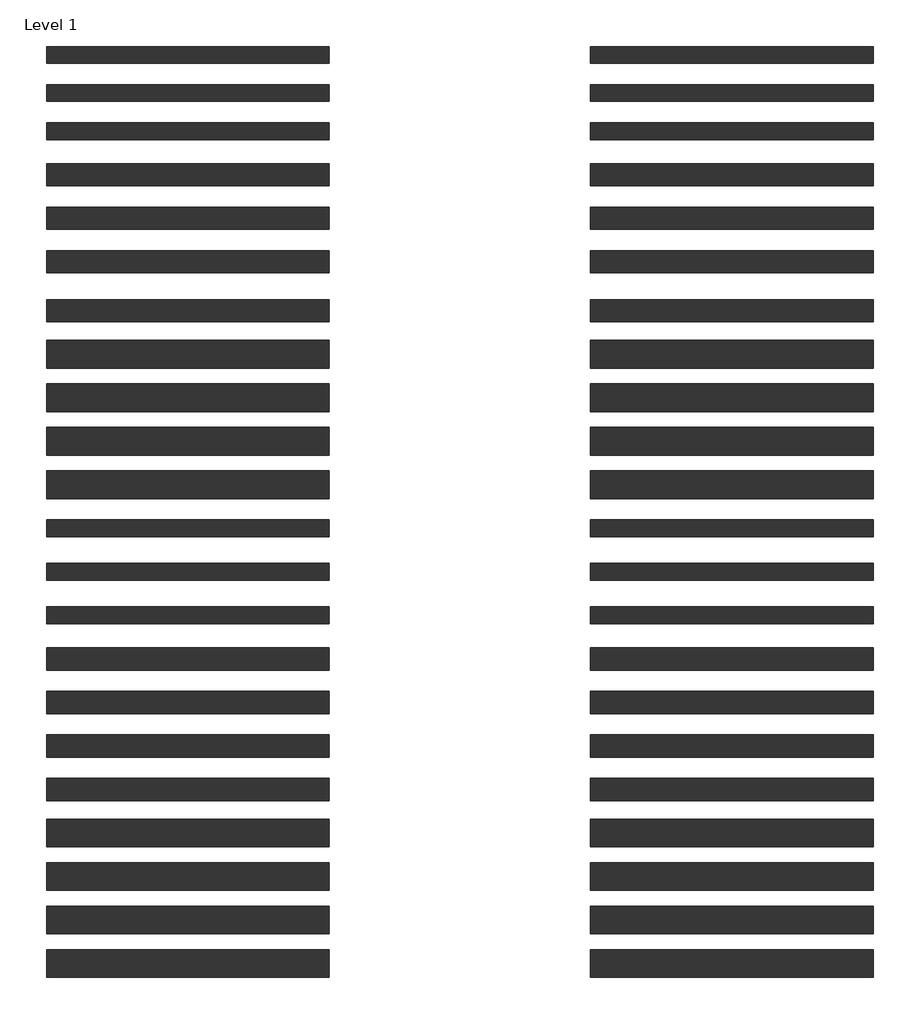
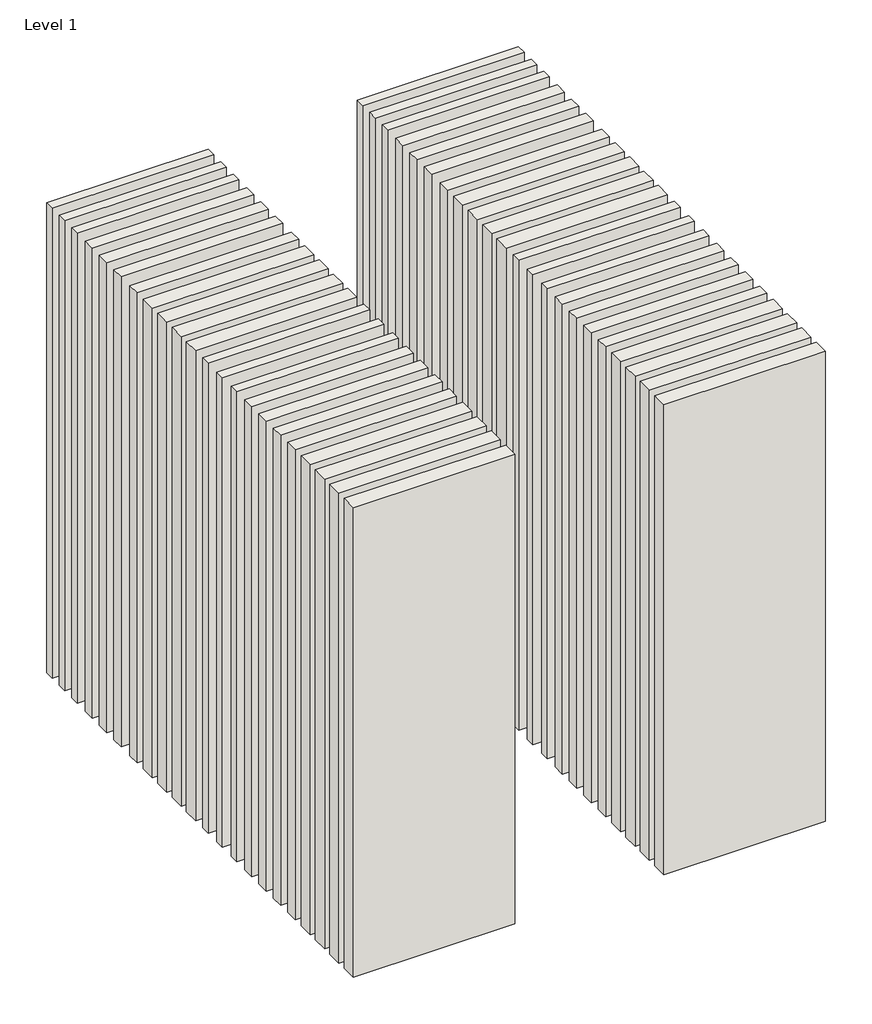
# One storey: 44 walls.
"""IFC4 building model written with IfcOpenShell, lengths in millimetres."""

from ifc_helpers import new_model, si_unit, origin, origin_with_axes, place, context, project, spatial, polyline, outline, extrude, element, save

model = new_model("IFC4")

# Units and contexts
model_context = context("Model", 3, world=origin())
ifc_project = project(units=[si_unit("LENGTHUNIT", "METRE", prefix="MILLI")], contexts=[model_context])

# Site, building, storey
site = spatial("IfcSite", under=ifc_project)
building = spatial("IfcBuilding", under=site)
storey = spatial("IfcBuildingStorey", under=building, Name="Level 1", Elevation=0.0)

# Walls
placement = place(None, origin())
element("IfcWall", 1, at=placement, inside=storey, context=model_context, shape_type="SweptSolid", body=[
    extrude(outline(polyline([(-16904.1464237, 3308.9042935), (-19504.1464237, 3308.9042935), (-19504.1464237, 3463.9042935), (-16904.1464237, 3463.9042935), (-16904.1464237, 3308.9042935)])), origin_with_axes(), (0.0, 0.0, 1.0), 8000.0),
])
element("IfcWall", 2, at=placement, inside=storey, context=model_context, shape_type="SweptSolid", body=[
    extrude(outline(polyline([(-16904.1464237, 2958.9042935), (-19504.1464237, 2958.9042935), (-19504.1464237, 3113.9042935), (-16904.1464237, 3113.9042935), (-16904.1464237, 2958.9042935)])), origin_with_axes(), (0.0, 0.0, 1.0), 8000.0),
])
element("IfcWall", 3, at=placement, inside=storey, context=model_context, shape_type="SweptSolid", body=[
    extrude(outline(polyline([(-16904.1464237, 2608.9042935), (-19504.1464237, 2608.9042935), (-19504.1464237, 2763.9042935), (-16904.1464237, 2763.9042935), (-16904.1464237, 2608.9042935)])), origin_with_axes(), (0.0, 0.0, 1.0), 8000.0),
])
element("IfcWall", 4, at=placement, inside=storey, context=model_context, shape_type="SweptSolid", body=[
    extrude(outline(polyline([(-16904.1464237, 2183.9042935), (-19504.1464237, 2183.9042935), (-19504.1464237, 2388.9042935), (-16904.1464237, 2388.9042935), (-16904.1464237, 2183.9042935)])), origin_with_axes(), (0.0, 0.0, 1.0), 8000.0),
])
element("IfcWall", 5, at=placement, inside=storey, context=model_context, shape_type="SweptSolid", body=[
    extrude(outline(polyline([(-16904.1464237, 1783.9042935), (-19504.1464237, 1783.9042935), (-19504.1464237, 1988.9042935), (-16904.1464237, 1988.9042935), (-16904.1464237, 1783.9042935)])), origin_with_axes(), (0.0, 0.0, 1.0), 8000.0),
])
element("IfcWall", 6, at=placement, inside=storey, context=model_context, shape_type="SweptSolid", body=[
    extrude(outline(polyline([(-16904.1464237, 1383.9042935), (-19504.1464237, 1383.9042935), (-19504.1464237, 1588.9042935), (-16904.1464237, 1588.9042935), (-16904.1464237, 1383.9042935)])), origin_with_axes(), (0.0, 0.0, 1.0), 8000.0),
])
element("IfcWall", 7, at=placement, inside=storey, context=model_context, shape_type="SweptSolid", body=[
    extrude(outline(polyline([(-16904.1464237, 933.9042935), (-19504.1464237, 933.9042935), (-19504.1464237, 1138.9042935), (-16904.1464237, 1138.9042935), (-16904.1464237, 933.9042935)])), origin_with_axes(), (0.0, 0.0, 1.0), 8000.0),
])
element("IfcWall", 8, at=placement, inside=storey, context=model_context, shape_type="SweptSolid", body=[
    extrude(outline(polyline([(-16904.1464237, 508.9042935), (-19504.1464237, 508.9042935), (-19504.1464237, 763.9042935), (-16904.1464237, 763.9042935), (-16904.1464237, 508.9042935)])), origin_with_axes(), (0.0, 0.0, 1.0), 8000.0),
])
element("IfcWall", 9, at=placement, inside=storey, context=model_context, shape_type="SweptSolid", body=[
    extrude(outline(polyline([(-16904.1464237, 108.9042935), (-19504.1464237, 108.9042935), (-19504.1464237, 363.9042935), (-16904.1464237, 363.9042935), (-16904.1464237, 108.9042935)])), origin_with_axes(), (0.0, 0.0, 1.0), 8000.0),
])
element("IfcWall", 10, at=placement, inside=storey, context=model_context, shape_type="SweptSolid", body=[
    extrude(outline(polyline([(-16904.1464237, -291.0957065), (-19504.1464237, -291.0957065), (-19504.1464237, -36.0957065), (-16904.1464237, -36.0957065), (-16904.1464237, -291.0957065)])), origin_with_axes(), (0.0, 0.0, 1.0), 8000.0),
])
element("IfcWall", 11, at=placement, inside=storey, context=model_context, shape_type="SweptSolid", body=[
    extrude(outline(polyline([(-16904.1464237, -691.0957065), (-19504.1464237, -691.0957065), (-19504.1464237, -436.0957065), (-16904.1464237, -436.0957065), (-16904.1464237, -691.0957065)])), origin_with_axes(), (0.0, 0.0, 1.0), 8000.0),
])
element("IfcWall", 12, at=placement, inside=storey, context=model_context, shape_type="SweptSolid", body=[
    extrude(outline(polyline([(-16904.1464237, -1041.0957065), (-19504.1464237, -1041.0957065), (-19504.1464237, -886.0957065), (-16904.1464237, -886.0957065), (-16904.1464237, -1041.0957065)])), origin_with_axes(), (0.0, 0.0, 1.0), 8000.0),
])
element("IfcWall", 13, at=placement, inside=storey, context=model_context, shape_type="SweptSolid", body=[
    extrude(outline(polyline([(-16904.1464237, -1441.0957065), (-19504.1464237, -1441.0957065), (-19504.1464237, -1286.0957065), (-16904.1464237, -1286.0957065), (-16904.1464237, -1441.0957065)])), origin_with_axes(), (0.0, 0.0, 1.0), 8000.0),
])
element("IfcWall", 14, at=placement, inside=storey, context=model_context, shape_type="SweptSolid", body=[
    extrude(outline(polyline([(-16904.1464237, -1841.0957065), (-19504.1464237, -1841.0957065), (-19504.1464237, -1686.0957065), (-16904.1464237, -1686.0957065), (-16904.1464237, -1841.0957065)])), origin_with_axes(), (0.0, 0.0, 1.0), 8000.0),
])
element("IfcWall", 15, at=placement, inside=storey, context=model_context, shape_type="SweptSolid", body=[
    extrude(outline(polyline([(-16904.1464237, -2266.0957065), (-19504.1464237, -2266.0957065), (-19504.1464237, -2061.0957065), (-16904.1464237, -2061.0957065), (-16904.1464237, -2266.0957065)])), origin_with_axes(), (0.0, 0.0, 1.0), 8000.0),
])
element("IfcWall", 16, at=placement, inside=storey, context=model_context, shape_type="SweptSolid", body=[
    extrude(outline(polyline([(-16904.1464237, -2666.0957065), (-19504.1464237, -2666.0957065), (-19504.1464237, -2461.0957065), (-16904.1464237, -2461.0957065), (-16904.1464237, -2666.0957065)])), origin_with_axes(), (0.0, 0.0, 1.0), 8000.0),
])
element("IfcWall", 17, at=placement, inside=storey, context=model_context, shape_type="SweptSolid", body=[
    extrude(outline(polyline([(-16904.1464237, -3066.0957065), (-19504.1464237, -3066.0957065), (-19504.1464237, -2861.0957065), (-16904.1464237, -2861.0957065), (-16904.1464237, -3066.0957065)])), origin_with_axes(), (0.0, 0.0, 1.0), 8000.0),
])
element("IfcWall", 18, at=placement, inside=storey, context=model_context, shape_type="SweptSolid", body=[
    extrude(outline(polyline([(-16904.1464237, -3466.0957065), (-19504.1464237, -3466.0957065), (-19504.1464237, -3261.0957065), (-16904.1464237, -3261.0957065), (-16904.1464237, -3466.0957065)])), origin_with_axes(), (0.0, 0.0, 1.0), 8000.0),
])
element("IfcWall", 19, at=placement, inside=storey, context=model_context, shape_type="SweptSolid", body=[
    extrude(outline(polyline([(-16904.1464237, -3891.0957065), (-19504.1464237, -3891.0957065), (-19504.1464237, -3636.0957065), (-16904.1464237, -3636.0957065), (-16904.1464237, -3891.0957065)])), origin_with_axes(), (0.0, 0.0, 1.0), 8000.0),
])
element("IfcWall", 20, at=placement, inside=storey, context=model_context, shape_type="SweptSolid", body=[
    extrude(outline(polyline([(-16904.1464237, -4291.0957065), (-19504.1464237, -4291.0957065), (-19504.1464237, -4036.0957065), (-16904.1464237, -4036.0957065), (-16904.1464237, -4291.0957065)])), origin_with_axes(), (0.0, 0.0, 1.0), 8000.0),
])
element("IfcWall", 21, at=placement, inside=storey, context=model_context, shape_type="SweptSolid", body=[
    extrude(outline(polyline([(-16904.1464237, -4691.0957065), (-19504.1464237, -4691.0957065), (-19504.1464237, -4436.0957065), (-16904.1464237, -4436.0957065), (-16904.1464237, -4691.0957065)])), origin_with_axes(), (0.0, 0.0, 1.0), 8000.0),
])
element("IfcWall", 22, at=placement, inside=storey, context=model_context, shape_type="SweptSolid", body=[
    extrude(outline(polyline([(-16904.1464237, -5091.0957065), (-19504.1464237, -5091.0957065), (-19504.1464237, -4836.0957065), (-16904.1464237, -4836.0957065), (-16904.1464237, -5091.0957065)])), origin_with_axes(), (0.0, 0.0, 1.0), 8000.0),
])
element("IfcWall", 23, at=placement, inside=storey, context=model_context, shape_type="SweptSolid", body=[
    extrude(outline(polyline([(-11904.1464237, 3308.9042935), (-14504.1464237, 3308.9042935), (-14504.1464237, 3463.9042935), (-11904.1464237, 3463.9042935), (-11904.1464237, 3308.9042935)])), origin_with_axes(), (0.0, 0.0, 1.0), 8000.0),
])
element("IfcWall", 24, at=placement, inside=storey, context=model_context, shape_type="SweptSolid", body=[
    extrude(outline(polyline([(-11904.1464237, 2958.9042935), (-14504.1464237, 2958.9042935), (-14504.1464237, 3113.9042935), (-11904.1464237, 3113.9042935), (-11904.1464237, 2958.9042935)])), origin_with_axes(), (0.0, 0.0, 1.0), 8000.0),
])
element("IfcWall", 25, at=placement, inside=storey, context=model_context, shape_type="SweptSolid", body=[
    extrude(outline(polyline([(-11904.1464237, 2608.9042935), (-14504.1464237, 2608.9042935), (-14504.1464237, 2763.9042935), (-11904.1464237, 2763.9042935), (-11904.1464237, 2608.9042935)])), origin_with_axes(), (0.0, 0.0, 1.0), 8000.0),
])
element("IfcWall", 26, at=placement, inside=storey, context=model_context, shape_type="SweptSolid", body=[
    extrude(outline(polyline([(-11904.1464237, 2183.9042935), (-14504.1464237, 2183.9042935), (-14504.1464237, 2388.9042935), (-11904.1464237, 2388.9042935), (-11904.1464237, 2183.9042935)])), origin_with_axes(), (0.0, 0.0, 1.0), 8000.0),
])
element("IfcWall", 27, at=placement, inside=storey, context=model_context, shape_type="SweptSolid", body=[
    extrude(outline(polyline([(-11904.1464237, 1783.9042935), (-14504.1464237, 1783.9042935), (-14504.1464237, 1988.9042935), (-11904.1464237, 1988.9042935), (-11904.1464237, 1783.9042935)])), origin_with_axes(), (0.0, 0.0, 1.0), 8000.0),
])
element("IfcWall", 28, at=placement, inside=storey, context=model_context, shape_type="SweptSolid", body=[
    extrude(outline(polyline([(-11904.1464237, 1383.9042935), (-14504.1464237, 1383.9042935), (-14504.1464237, 1588.9042935), (-11904.1464237, 1588.9042935), (-11904.1464237, 1383.9042935)])), origin_with_axes(), (0.0, 0.0, 1.0), 8000.0),
])
element("IfcWall", 29, at=placement, inside=storey, context=model_context, shape_type="SweptSolid", body=[
    extrude(outline(polyline([(-11904.1464237, 933.9042935), (-14504.1464237, 933.9042935), (-14504.1464237, 1138.9042935), (-11904.1464237, 1138.9042935), (-11904.1464237, 933.9042935)])), origin_with_axes(), (0.0, 0.0, 1.0), 8000.0),
])
element("IfcWall", 30, at=placement, inside=storey, context=model_context, shape_type="SweptSolid", body=[
    extrude(outline(polyline([(-11904.1464237, 508.9042935), (-14504.1464237, 508.9042935), (-14504.1464237, 763.9042935), (-11904.1464237, 763.9042935), (-11904.1464237, 508.9042935)])), origin_with_axes(), (0.0, 0.0, 1.0), 8000.0),
])
element("IfcWall", 31, at=placement, inside=storey, context=model_context, shape_type="SweptSolid", body=[
    extrude(outline(polyline([(-11904.1464237, 108.9042935), (-14504.1464237, 108.9042935), (-14504.1464237, 363.9042935), (-11904.1464237, 363.9042935), (-11904.1464237, 108.9042935)])), origin_with_axes(), (0.0, 0.0, 1.0), 8000.0),
])
element("IfcWall", 32, at=placement, inside=storey, context=model_context, shape_type="SweptSolid", body=[
    extrude(outline(polyline([(-11904.1464237, -291.0957065), (-14504.1464237, -291.0957065), (-14504.1464237, -36.0957065), (-11904.1464237, -36.0957065), (-11904.1464237, -291.0957065)])), origin_with_axes(), (0.0, 0.0, 1.0), 8000.0),
])
element("IfcWall", 33, at=placement, inside=storey, context=model_context, shape_type="SweptSolid", body=[
    extrude(outline(polyline([(-11904.1464237, -691.0957065), (-14504.1464237, -691.0957065), (-14504.1464237, -436.0957065), (-11904.1464237, -436.0957065), (-11904.1464237, -691.0957065)])), origin_with_axes(), (0.0, 0.0, 1.0), 8000.0),
])
element("IfcWall", 34, at=placement, inside=storey, context=model_context, shape_type="SweptSolid", body=[
    extrude(outline(polyline([(-11904.1464237, -1041.0957065), (-14504.1464237, -1041.0957065), (-14504.1464237, -886.0957065), (-11904.1464237, -886.0957065), (-11904.1464237, -1041.0957065)])), origin_with_axes(), (0.0, 0.0, 1.0), 8000.0),
])
element("IfcWall", 35, at=placement, inside=storey, context=model_context, shape_type="SweptSolid", body=[
    extrude(outline(polyline([(-11904.1464237, -1441.0957065), (-14504.1464237, -1441.0957065), (-14504.1464237, -1286.0957065), (-11904.1464237, -1286.0957065), (-11904.1464237, -1441.0957065)])), origin_with_axes(), (0.0, 0.0, 1.0), 8000.0),
])
element("IfcWall", 36, at=placement, inside=storey, context=model_context, shape_type="SweptSolid", body=[
    extrude(outline(polyline([(-11904.1464237, -1841.0957065), (-14504.1464237, -1841.0957065), (-14504.1464237, -1686.0957065), (-11904.1464237, -1686.0957065), (-11904.1464237, -1841.0957065)])), origin_with_axes(), (0.0, 0.0, 1.0), 8000.0),
])
element("IfcWall", 37, at=placement, inside=storey, context=model_context, shape_type="SweptSolid", body=[
    extrude(outline(polyline([(-11904.1464237, -2266.0957065), (-14504.1464237, -2266.0957065), (-14504.1464237, -2061.0957065), (-11904.1464237, -2061.0957065), (-11904.1464237, -2266.0957065)])), origin_with_axes(), (0.0, 0.0, 1.0), 8000.0),
])
element("IfcWall", 38, at=placement, inside=storey, context=model_context, shape_type="SweptSolid", body=[
    extrude(outline(polyline([(-11904.1464237, -2666.0957065), (-14504.1464237, -2666.0957065), (-14504.1464237, -2461.0957065), (-11904.1464237, -2461.0957065), (-11904.1464237, -2666.0957065)])), origin_with_axes(), (0.0, 0.0, 1.0), 8000.0),
])
element("IfcWall", 39, at=placement, inside=storey, context=model_context, shape_type="SweptSolid", body=[
    extrude(outline(polyline([(-11904.1464237, -3066.0957065), (-14504.1464237, -3066.0957065), (-14504.1464237, -2861.0957065), (-11904.1464237, -2861.0957065), (-11904.1464237, -3066.0957065)])), origin_with_axes(), (0.0, 0.0, 1.0), 8000.0),
])
element("IfcWall", 40, at=placement, inside=storey, context=model_context, shape_type="SweptSolid", body=[
    extrude(outline(polyline([(-11904.1464237, -3466.0957065), (-14504.1464237, -3466.0957065), (-14504.1464237, -3261.0957065), (-11904.1464237, -3261.0957065), (-11904.1464237, -3466.0957065)])), origin_with_axes(), (0.0, 0.0, 1.0), 8000.0),
])
element("IfcWall", 41, at=placement, inside=storey, context=model_context, shape_type="SweptSolid", body=[
    extrude(outline(polyline([(-11904.1464237, -3891.0957065), (-14504.1464237, -3891.0957065), (-14504.1464237, -3636.0957065), (-11904.1464237, -3636.0957065), (-11904.1464237, -3891.0957065)])), origin_with_axes(), (0.0, 0.0, 1.0), 8000.0),
])
element("IfcWall", 42, at=placement, inside=storey, context=model_context, shape_type="SweptSolid", body=[
    extrude(outline(polyline([(-11904.1464237, -4291.0957065), (-14504.1464237, -4291.0957065), (-14504.1464237, -4036.0957065), (-11904.1464237, -4036.0957065), (-11904.1464237, -4291.0957065)])), origin_with_axes(), (0.0, 0.0, 1.0), 8000.0),
])
element("IfcWall", 43, at=placement, inside=storey, context=model_context, shape_type="SweptSolid", body=[
    extrude(outline(polyline([(-11904.1464237, -4691.0957065), (-14504.1464237, -4691.0957065), (-14504.1464237, -4436.0957065), (-11904.1464237, -4436.0957065), (-11904.1464237, -4691.0957065)])), origin_with_axes(), (0.0, 0.0, 1.0), 8000.0),
])
element("IfcWall", 44, at=placement, inside=storey, context=model_context, shape_type="SweptSolid", body=[
    extrude(outline(polyline([(-11904.1464237, -5091.0957065), (-14504.1464237, -5091.0957065), (-14504.1464237, -4836.0957065), (-11904.1464237, -4836.0957065), (-11904.1464237, -5091.0957065)])), origin_with_axes(), (0.0, 0.0, 1.0), 8000.0),
])

save(model, "model.ifc")
